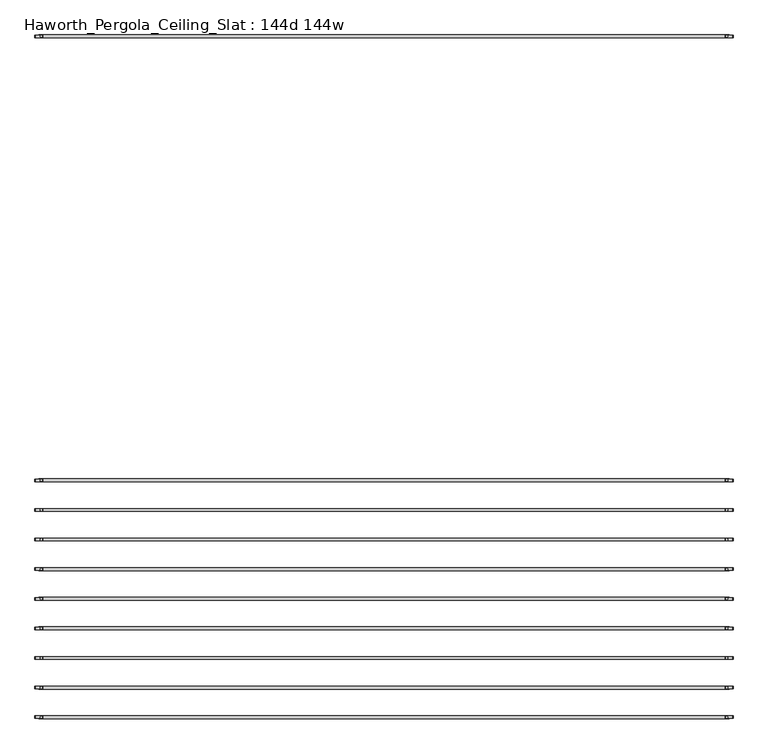
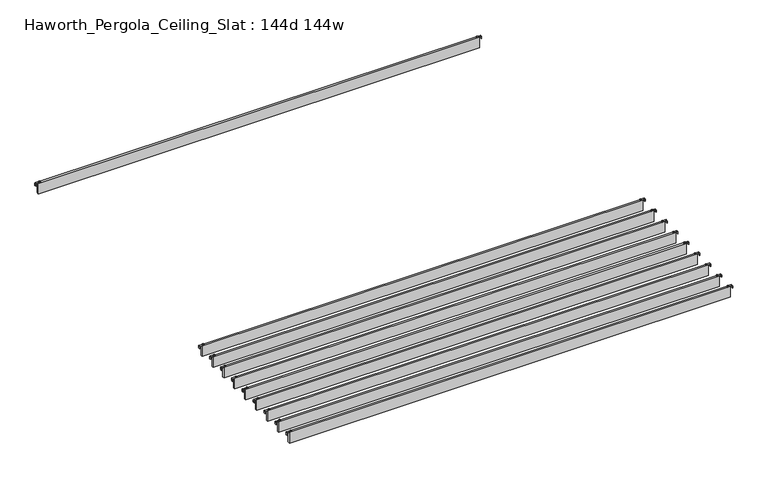
"""IFC4 building model written with IfcOpenShell, lengths in millimetres: furniture geometry, Haworth_Pergola_Ceiling_Slat : 144d 144w."""

from ifc_helpers import new_model, si_unit, point, frame, frame_2d, origin, place, context, project, spatial, polyline, circle_curve, trimmed, segment, composite_curve, outline, extrude, source, transform, mapped, element, save


def haworth_pergola_ceiling_slat_144d_144w_9080f0d2(model_context):
    return source(origin(), model_context, "Body", "SweptSolid", [
        extrude(outline(composite_curve([segment(trimmed(circle_curve(frame_2d((1853.2, -1887.5678696)), 5.9838099), [point((1847.2161901, -1887.5678696))], [point((1859.1838099, -1887.5678696))], False, "CARTESIAN"), True, "CONTINUOUS"), segment(trimmed(circle_curve(frame_2d((1853.2, -1887.5678696)), 5.9838099), [point((1859.1838099, -1887.5678696))], [point((1847.2161901, -1887.5678696))], False, "CARTESIAN"), True, "CONTINUOUS")], self_intersect=False)), frame((0.0, 0.0, 2440.9329992), z_axis=(0.0, 0.0, 1.0), x_axis=(1.0, 0.0, 0.0)), (0.0, 0.0, 1.0), 3.4400008),
        extrude(outline(composite_curve([segment(trimmed(circle_curve(frame_2d((-1777.0, -1887.5678696)), 5.9838099), [point((-1771.0161901, -1887.5678696))], [point((-1782.9838099, -1887.5678696))], False, "CARTESIAN"), True, "CONTINUOUS"), segment(trimmed(circle_curve(frame_2d((-1777.0, -1887.5678696)), 5.9838099), [point((-1782.9838099, -1887.5678696))], [point((-1771.0161901, -1887.5678696))], False, "CARTESIAN"), True, "CONTINUOUS")], self_intersect=False)), frame((0.0, 0.0, 2440.9329992), z_axis=(0.0, 0.0, 1.0), x_axis=(1.0, 0.0, 0.0)), (0.0, 0.0, 1.0), 3.4400008),
        extrude(outline(composite_curve([segment(polyline([(2419.2231711, 1887.36), (2437.2499992, 1887.36)]), True, "CONTINUOUS"), segment(trimmed(circle_curve(frame_2d((2437.2499992, 1883.677)), 3.683), [point((2437.2499992, 1887.36))], [point((2440.9329992, 1883.677))], False, "CARTESIAN"), True, "CONTINUOUS"), segment(polyline([(2440.9329992, 1883.677), (2440.9329992, 1846.7), (2438.2729997, 1846.7), (2438.2729997, 1883.6905568)]), True, "CONTINUOUS"), segment(trimmed(circle_curve(frame_2d((2437.2635571, 1883.6905568)), 1.0094425), [point((2438.2729997, 1883.6905568))], [point((2437.2635571, 1884.6999993))], True, "CARTESIAN"), True, "CONTINUOUS"), segment(polyline([(2437.2635571, 1884.6999993), (2419.2231711, 1884.6999993), (2419.2231711, 1887.36)]), True, "CONTINUOUS")], self_intersect=False)), frame((0.0, -1894.0608699, 0.0), z_axis=(0.0, 1.0, 0.0), x_axis=(0.0, 0.0, 1.0)), (0.0, 0.0, 1.0), 13.0),
        extrude(outline(composite_curve([segment(polyline([(2419.2231711, -1811.16), (2419.2231711, -1808.4999993), (2437.2635571, -1808.4999993)]), True, "CONTINUOUS"), segment(trimmed(circle_curve(frame_2d((2437.2635571, -1807.4905568)), 1.0094425), [point((2437.2635571, -1808.4999993))], [point((2438.2729997, -1807.4905568))], True, "CARTESIAN"), True, "CONTINUOUS"), segment(polyline([(2438.2729997, -1807.4905568), (2438.2729997, -1770.5), (2440.9329992, -1770.5), (2440.9329992, -1807.477)]), True, "CONTINUOUS"), segment(trimmed(circle_curve(frame_2d((2437.2499992, -1807.477)), 3.683), [point((2440.9329992, -1807.477))], [point((2437.2499992, -1811.16))], False, "CARTESIAN"), True, "CONTINUOUS"), segment(polyline([(2437.2499992, -1811.16), (2419.2231711, -1811.16)]), True, "CONTINUOUS")], self_intersect=False)), frame((0.0, -1894.0608699, 0.0), z_axis=(0.0, 1.0, 0.0), x_axis=(0.0, 0.0, 1.0)), (0.0, 0.0, 1.0), 13.0),
        extrude(outline(polyline([(-1790.7, -1895.0608696), (-1790.7, -1880.0748696), (1866.9, -1880.0748696), (1866.9, -1895.0608696), (-1790.7, -1895.0608696)])), frame((0.0, 0.0, 2346.198), z_axis=(0.0, 0.0, 1.0), x_axis=(1.0, 0.0, 0.0)), (0.0, 0.0, 1.0), 92.202),
        extrude(outline(composite_curve([segment(trimmed(circle_curve(frame_2d((1853.2, -2044.3852609)), 5.9838099), [point((1847.2161901, -2044.3852609))], [point((1859.1838099, -2044.3852609))], False, "CARTESIAN"), True, "CONTINUOUS"), segment(trimmed(circle_curve(frame_2d((1853.2, -2044.3852609)), 5.9838099), [point((1859.1838099, -2044.3852609))], [point((1847.2161901, -2044.3852609))], False, "CARTESIAN"), True, "CONTINUOUS")], self_intersect=False)), frame((0.0, 0.0, 2440.9329992), z_axis=(0.0, 0.0, 1.0), x_axis=(1.0, 0.0, 0.0)), (0.0, 0.0, 1.0), 3.4400008),
        extrude(outline(composite_curve([segment(trimmed(circle_curve(frame_2d((-1777.0, -2044.3852609)), 5.9838099), [point((-1771.0161901, -2044.3852609))], [point((-1782.9838099, -2044.3852609))], False, "CARTESIAN"), True, "CONTINUOUS"), segment(trimmed(circle_curve(frame_2d((-1777.0, -2044.3852609)), 5.9838099), [point((-1782.9838099, -2044.3852609))], [point((-1771.0161901, -2044.3852609))], False, "CARTESIAN"), True, "CONTINUOUS")], self_intersect=False)), frame((0.0, 0.0, 2440.9329992), z_axis=(0.0, 0.0, 1.0), x_axis=(1.0, 0.0, 0.0)), (0.0, 0.0, 1.0), 3.4400008),
        extrude(outline(composite_curve([segment(polyline([(2419.2231711, 1887.36), (2437.2499992, 1887.36)]), True, "CONTINUOUS"), segment(trimmed(circle_curve(frame_2d((2437.2499992, 1883.677)), 3.683), [point((2437.2499992, 1887.36))], [point((2440.9329992, 1883.677))], False, "CARTESIAN"), True, "CONTINUOUS"), segment(polyline([(2440.9329992, 1883.677), (2440.9329992, 1846.7), (2438.2729997, 1846.7), (2438.2729997, 1883.6905568)]), True, "CONTINUOUS"), segment(trimmed(circle_curve(frame_2d((2437.2635571, 1883.6905568)), 1.0094425), [point((2438.2729997, 1883.6905568))], [point((2437.2635571, 1884.6999993))], True, "CARTESIAN"), True, "CONTINUOUS"), segment(polyline([(2437.2635571, 1884.6999993), (2419.2231711, 1884.6999993), (2419.2231711, 1887.36)]), True, "CONTINUOUS")], self_intersect=False)), frame((0.0, -2050.8782612, 0.0), z_axis=(0.0, 1.0, 0.0), x_axis=(0.0, 0.0, 1.0)), (0.0, 0.0, 1.0), 13.0),
        extrude(outline(composite_curve([segment(polyline([(2419.2231711, -1811.16), (2419.2231711, -1808.4999993), (2437.2635571, -1808.4999993)]), True, "CONTINUOUS"), segment(trimmed(circle_curve(frame_2d((2437.2635571, -1807.4905568)), 1.0094425), [point((2437.2635571, -1808.4999993))], [point((2438.2729997, -1807.4905568))], True, "CARTESIAN"), True, "CONTINUOUS"), segment(polyline([(2438.2729997, -1807.4905568), (2438.2729997, -1770.5), (2440.9329992, -1770.5), (2440.9329992, -1807.477)]), True, "CONTINUOUS"), segment(trimmed(circle_curve(frame_2d((2437.2499992, -1807.477)), 3.683), [point((2440.9329992, -1807.477))], [point((2437.2499992, -1811.16))], False, "CARTESIAN"), True, "CONTINUOUS"), segment(polyline([(2437.2499992, -1811.16), (2419.2231711, -1811.16)]), True, "CONTINUOUS")], self_intersect=False)), frame((0.0, -2050.8782612, 0.0), z_axis=(0.0, 1.0, 0.0), x_axis=(0.0, 0.0, 1.0)), (0.0, 0.0, 1.0), 13.0),
        extrude(outline(polyline([(-1790.7, -2051.8782609), (-1790.7, -2036.8922609), (1866.9, -2036.8922609), (1866.9, -2051.8782609), (-1790.7, -2051.8782609)])), frame((0.0, 0.0, 2346.198), z_axis=(0.0, 0.0, 1.0), x_axis=(1.0, 0.0, 0.0)), (0.0, 0.0, 1.0), 92.202),
        extrude(outline(composite_curve([segment(trimmed(circle_curve(frame_2d((1853.2, -2201.2026522)), 5.9838099), [point((1847.2161901, -2201.2026522))], [point((1859.1838099, -2201.2026522))], False, "CARTESIAN"), True, "CONTINUOUS"), segment(trimmed(circle_curve(frame_2d((1853.2, -2201.2026522)), 5.9838099), [point((1859.1838099, -2201.2026522))], [point((1847.2161901, -2201.2026522))], False, "CARTESIAN"), True, "CONTINUOUS")], self_intersect=False)), frame((0.0, 0.0, 2440.9329992), z_axis=(0.0, 0.0, 1.0), x_axis=(1.0, 0.0, 0.0)), (0.0, 0.0, 1.0), 3.4400008),
        extrude(outline(composite_curve([segment(trimmed(circle_curve(frame_2d((-1777.0, -2201.2026522)), 5.9838099), [point((-1771.0161901, -2201.2026522))], [point((-1782.9838099, -2201.2026522))], False, "CARTESIAN"), True, "CONTINUOUS"), segment(trimmed(circle_curve(frame_2d((-1777.0, -2201.2026522)), 5.9838099), [point((-1782.9838099, -2201.2026522))], [point((-1771.0161901, -2201.2026522))], False, "CARTESIAN"), True, "CONTINUOUS")], self_intersect=False)), frame((0.0, 0.0, 2440.9329992), z_axis=(0.0, 0.0, 1.0), x_axis=(1.0, 0.0, 0.0)), (0.0, 0.0, 1.0), 3.4400008),
        extrude(outline(composite_curve([segment(polyline([(2419.2231711, 1887.36), (2437.2499992, 1887.36)]), True, "CONTINUOUS"), segment(trimmed(circle_curve(frame_2d((2437.2499992, 1883.677)), 3.683), [point((2437.2499992, 1887.36))], [point((2440.9329992, 1883.677))], False, "CARTESIAN"), True, "CONTINUOUS"), segment(polyline([(2440.9329992, 1883.677), (2440.9329992, 1846.7), (2438.2729997, 1846.7), (2438.2729997, 1883.6905568)]), True, "CONTINUOUS"), segment(trimmed(circle_curve(frame_2d((2437.2635571, 1883.6905568)), 1.0094425), [point((2438.2729997, 1883.6905568))], [point((2437.2635571, 1884.6999993))], True, "CARTESIAN"), True, "CONTINUOUS"), segment(polyline([(2437.2635571, 1884.6999993), (2419.2231711, 1884.6999993), (2419.2231711, 1887.36)]), True, "CONTINUOUS")], self_intersect=False)), frame((0.0, -2207.6956525, 0.0), z_axis=(0.0, 1.0, 0.0), x_axis=(0.0, 0.0, 1.0)), (0.0, 0.0, 1.0), 13.0),
        extrude(outline(composite_curve([segment(polyline([(2419.2231711, -1811.16), (2419.2231711, -1808.4999993), (2437.2635571, -1808.4999993)]), True, "CONTINUOUS"), segment(trimmed(circle_curve(frame_2d((2437.2635571, -1807.4905568)), 1.0094425), [point((2437.2635571, -1808.4999993))], [point((2438.2729997, -1807.4905568))], True, "CARTESIAN"), True, "CONTINUOUS"), segment(polyline([(2438.2729997, -1807.4905568), (2438.2729997, -1770.5), (2440.9329992, -1770.5), (2440.9329992, -1807.477)]), True, "CONTINUOUS"), segment(trimmed(circle_curve(frame_2d((2437.2499992, -1807.477)), 3.683), [point((2440.9329992, -1807.477))], [point((2437.2499992, -1811.16))], False, "CARTESIAN"), True, "CONTINUOUS"), segment(polyline([(2437.2499992, -1811.16), (2419.2231711, -1811.16)]), True, "CONTINUOUS")], self_intersect=False)), frame((0.0, -2207.6956525, 0.0), z_axis=(0.0, 1.0, 0.0), x_axis=(0.0, 0.0, 1.0)), (0.0, 0.0, 1.0), 13.0),
        extrude(outline(polyline([(-1790.7, -2208.6956522), (-1790.7, -2193.7096522), (1866.9, -2193.7096522), (1866.9, -2208.6956522), (-1790.7, -2208.6956522)])), frame((0.0, 0.0, 2346.198), z_axis=(0.0, 0.0, 1.0), x_axis=(1.0, 0.0, 0.0)), (0.0, 0.0, 1.0), 92.202),
        extrude(outline(composite_curve([segment(trimmed(circle_curve(frame_2d((1853.2, -2358.0200435)), 5.9838099), [point((1847.2161901, -2358.0200435))], [point((1859.1838099, -2358.0200435))], False, "CARTESIAN"), True, "CONTINUOUS"), segment(trimmed(circle_curve(frame_2d((1853.2, -2358.0200435)), 5.9838099), [point((1859.1838099, -2358.0200435))], [point((1847.2161901, -2358.0200435))], False, "CARTESIAN"), True, "CONTINUOUS")], self_intersect=False)), frame((0.0, 0.0, 2440.9329992), z_axis=(0.0, 0.0, 1.0), x_axis=(1.0, 0.0, 0.0)), (0.0, 0.0, 1.0), 3.4400008),
        extrude(outline(composite_curve([segment(trimmed(circle_curve(frame_2d((-1777.0, -2358.0200435)), 5.9838099), [point((-1771.0161901, -2358.0200435))], [point((-1782.9838099, -2358.0200435))], False, "CARTESIAN"), True, "CONTINUOUS"), segment(trimmed(circle_curve(frame_2d((-1777.0, -2358.0200435)), 5.9838099), [point((-1782.9838099, -2358.0200435))], [point((-1771.0161901, -2358.0200435))], False, "CARTESIAN"), True, "CONTINUOUS")], self_intersect=False)), frame((0.0, 0.0, 2440.9329992), z_axis=(0.0, 0.0, 1.0), x_axis=(1.0, 0.0, 0.0)), (0.0, 0.0, 1.0), 3.4400008),
        extrude(outline(composite_curve([segment(polyline([(2419.2231711, 1887.36), (2437.2499992, 1887.36)]), True, "CONTINUOUS"), segment(trimmed(circle_curve(frame_2d((2437.2499992, 1883.677)), 3.683), [point((2437.2499992, 1887.36))], [point((2440.9329992, 1883.677))], False, "CARTESIAN"), True, "CONTINUOUS"), segment(polyline([(2440.9329992, 1883.677), (2440.9329992, 1846.7), (2438.2729997, 1846.7), (2438.2729997, 1883.6905568)]), True, "CONTINUOUS"), segment(trimmed(circle_curve(frame_2d((2437.2635571, 1883.6905568)), 1.0094425), [point((2438.2729997, 1883.6905568))], [point((2437.2635571, 1884.6999993))], True, "CARTESIAN"), True, "CONTINUOUS"), segment(polyline([(2437.2635571, 1884.6999993), (2419.2231711, 1884.6999993), (2419.2231711, 1887.36)]), True, "CONTINUOUS")], self_intersect=False)), frame((0.0, -2364.5130438, 0.0), z_axis=(0.0, 1.0, 0.0), x_axis=(0.0, 0.0, 1.0)), (0.0, 0.0, 1.0), 13.0),
        extrude(outline(composite_curve([segment(polyline([(2419.2231711, -1811.16), (2419.2231711, -1808.4999993), (2437.2635571, -1808.4999993)]), True, "CONTINUOUS"), segment(trimmed(circle_curve(frame_2d((2437.2635571, -1807.4905568)), 1.0094425), [point((2437.2635571, -1808.4999993))], [point((2438.2729997, -1807.4905568))], True, "CARTESIAN"), True, "CONTINUOUS"), segment(polyline([(2438.2729997, -1807.4905568), (2438.2729997, -1770.5), (2440.9329992, -1770.5), (2440.9329992, -1807.477)]), True, "CONTINUOUS"), segment(trimmed(circle_curve(frame_2d((2437.2499992, -1807.477)), 3.683), [point((2440.9329992, -1807.477))], [point((2437.2499992, -1811.16))], False, "CARTESIAN"), True, "CONTINUOUS"), segment(polyline([(2437.2499992, -1811.16), (2419.2231711, -1811.16)]), True, "CONTINUOUS")], self_intersect=False)), frame((0.0, -2364.5130438, 0.0), z_axis=(0.0, 1.0, 0.0), x_axis=(0.0, 0.0, 1.0)), (0.0, 0.0, 1.0), 13.0),
        extrude(outline(polyline([(-1790.7, -2365.5130435), (-1790.7, -2350.5270435), (1866.9, -2350.5270435), (1866.9, -2365.5130435), (-1790.7, -2365.5130435)])), frame((0.0, 0.0, 2346.198), z_axis=(0.0, 0.0, 1.0), x_axis=(1.0, 0.0, 0.0)), (0.0, 0.0, 1.0), 92.202),
        extrude(outline(composite_curve([segment(trimmed(circle_curve(frame_2d((1853.2, -2514.8374348)), 5.9838099), [point((1847.2161901, -2514.8374348))], [point((1859.1838099, -2514.8374348))], False, "CARTESIAN"), True, "CONTINUOUS"), segment(trimmed(circle_curve(frame_2d((1853.2, -2514.8374348)), 5.9838099), [point((1859.1838099, -2514.8374348))], [point((1847.2161901, -2514.8374348))], False, "CARTESIAN"), True, "CONTINUOUS")], self_intersect=False)), frame((0.0, 0.0, 2440.9329992), z_axis=(0.0, 0.0, 1.0), x_axis=(1.0, 0.0, 0.0)), (0.0, 0.0, 1.0), 3.4400008),
        extrude(outline(composite_curve([segment(trimmed(circle_curve(frame_2d((-1777.0, -2514.8374348)), 5.9838099), [point((-1771.0161901, -2514.8374348))], [point((-1782.9838099, -2514.8374348))], False, "CARTESIAN"), True, "CONTINUOUS"), segment(trimmed(circle_curve(frame_2d((-1777.0, -2514.8374348)), 5.9838099), [point((-1782.9838099, -2514.8374348))], [point((-1771.0161901, -2514.8374348))], False, "CARTESIAN"), True, "CONTINUOUS")], self_intersect=False)), frame((0.0, 0.0, 2440.9329992), z_axis=(0.0, 0.0, 1.0), x_axis=(1.0, 0.0, 0.0)), (0.0, 0.0, 1.0), 3.4400008),
        extrude(outline(composite_curve([segment(polyline([(2419.2231711, 1887.36), (2437.2499992, 1887.36)]), True, "CONTINUOUS"), segment(trimmed(circle_curve(frame_2d((2437.2499992, 1883.677)), 3.683), [point((2437.2499992, 1887.36))], [point((2440.9329992, 1883.677))], False, "CARTESIAN"), True, "CONTINUOUS"), segment(polyline([(2440.9329992, 1883.677), (2440.9329992, 1846.7), (2438.2729997, 1846.7), (2438.2729997, 1883.6905568)]), True, "CONTINUOUS"), segment(trimmed(circle_curve(frame_2d((2437.2635571, 1883.6905568)), 1.0094425), [point((2438.2729997, 1883.6905568))], [point((2437.2635571, 1884.6999993))], True, "CARTESIAN"), True, "CONTINUOUS"), segment(polyline([(2437.2635571, 1884.6999993), (2419.2231711, 1884.6999993), (2419.2231711, 1887.36)]), True, "CONTINUOUS")], self_intersect=False)), frame((0.0, -2521.3304351, 0.0), z_axis=(0.0, 1.0, 0.0), x_axis=(0.0, 0.0, 1.0)), (0.0, 0.0, 1.0), 13.0),
        extrude(outline(composite_curve([segment(polyline([(2419.2231711, -1811.16), (2419.2231711, -1808.4999993), (2437.2635571, -1808.4999993)]), True, "CONTINUOUS"), segment(trimmed(circle_curve(frame_2d((2437.2635571, -1807.4905568)), 1.0094425), [point((2437.2635571, -1808.4999993))], [point((2438.2729997, -1807.4905568))], True, "CARTESIAN"), True, "CONTINUOUS"), segment(polyline([(2438.2729997, -1807.4905568), (2438.2729997, -1770.5), (2440.9329992, -1770.5), (2440.9329992, -1807.477)]), True, "CONTINUOUS"), segment(trimmed(circle_curve(frame_2d((2437.2499992, -1807.477)), 3.683), [point((2440.9329992, -1807.477))], [point((2437.2499992, -1811.16))], False, "CARTESIAN"), True, "CONTINUOUS"), segment(polyline([(2437.2499992, -1811.16), (2419.2231711, -1811.16)]), True, "CONTINUOUS")], self_intersect=False)), frame((0.0, -2521.3304351, 0.0), z_axis=(0.0, 1.0, 0.0), x_axis=(0.0, 0.0, 1.0)), (0.0, 0.0, 1.0), 13.0),
        extrude(outline(polyline([(-1790.7, -2522.3304348), (-1790.7, -2507.3444348), (1866.9, -2507.3444348), (1866.9, -2522.3304348), (-1790.7, -2522.3304348)])), frame((0.0, 0.0, 2346.198), z_axis=(0.0, 0.0, 1.0), x_axis=(1.0, 0.0, 0.0)), (0.0, 0.0, 1.0), 92.202),
        extrude(outline(composite_curve([segment(trimmed(circle_curve(frame_2d((1853.2, -2671.6548261)), 5.9838099), [point((1847.2161901, -2671.6548261))], [point((1859.1838099, -2671.6548261))], False, "CARTESIAN"), True, "CONTINUOUS"), segment(trimmed(circle_curve(frame_2d((1853.2, -2671.6548261)), 5.9838099), [point((1859.1838099, -2671.6548261))], [point((1847.2161901, -2671.6548261))], False, "CARTESIAN"), True, "CONTINUOUS")], self_intersect=False)), frame((0.0, 0.0, 2440.9329992), z_axis=(0.0, 0.0, 1.0), x_axis=(1.0, 0.0, 0.0)), (0.0, 0.0, 1.0), 3.4400008),
        extrude(outline(composite_curve([segment(trimmed(circle_curve(frame_2d((-1777.0, -2671.6548261)), 5.9838099), [point((-1771.0161901, -2671.6548261))], [point((-1782.9838099, -2671.6548261))], False, "CARTESIAN"), True, "CONTINUOUS"), segment(trimmed(circle_curve(frame_2d((-1777.0, -2671.6548261)), 5.9838099), [point((-1782.9838099, -2671.6548261))], [point((-1771.0161901, -2671.6548261))], False, "CARTESIAN"), True, "CONTINUOUS")], self_intersect=False)), frame((0.0, 0.0, 2440.9329992), z_axis=(0.0, 0.0, 1.0), x_axis=(1.0, 0.0, 0.0)), (0.0, 0.0, 1.0), 3.4400008),
        extrude(outline(composite_curve([segment(polyline([(2419.2231711, 1887.36), (2437.2499992, 1887.36)]), True, "CONTINUOUS"), segment(trimmed(circle_curve(frame_2d((2437.2499992, 1883.677)), 3.683), [point((2437.2499992, 1887.36))], [point((2440.9329992, 1883.677))], False, "CARTESIAN"), True, "CONTINUOUS"), segment(polyline([(2440.9329992, 1883.677), (2440.9329992, 1846.7), (2438.2729997, 1846.7), (2438.2729997, 1883.6905568)]), True, "CONTINUOUS"), segment(trimmed(circle_curve(frame_2d((2437.2635571, 1883.6905568)), 1.0094425), [point((2438.2729997, 1883.6905568))], [point((2437.2635571, 1884.6999993))], True, "CARTESIAN"), True, "CONTINUOUS"), segment(polyline([(2437.2635571, 1884.6999993), (2419.2231711, 1884.6999993), (2419.2231711, 1887.36)]), True, "CONTINUOUS")], self_intersect=False)), frame((0.0, -2678.1478264, 0.0), z_axis=(0.0, 1.0, 0.0), x_axis=(0.0, 0.0, 1.0)), (0.0, 0.0, 1.0), 13.0),
        extrude(outline(composite_curve([segment(polyline([(2419.2231711, -1811.16), (2419.2231711, -1808.4999993), (2437.2635571, -1808.4999993)]), True, "CONTINUOUS"), segment(trimmed(circle_curve(frame_2d((2437.2635571, -1807.4905568)), 1.0094425), [point((2437.2635571, -1808.4999993))], [point((2438.2729997, -1807.4905568))], True, "CARTESIAN"), True, "CONTINUOUS"), segment(polyline([(2438.2729997, -1807.4905568), (2438.2729997, -1770.5), (2440.9329992, -1770.5), (2440.9329992, -1807.477)]), True, "CONTINUOUS"), segment(trimmed(circle_curve(frame_2d((2437.2499992, -1807.477)), 3.683), [point((2440.9329992, -1807.477))], [point((2437.2499992, -1811.16))], False, "CARTESIAN"), True, "CONTINUOUS"), segment(polyline([(2437.2499992, -1811.16), (2419.2231711, -1811.16)]), True, "CONTINUOUS")], self_intersect=False)), frame((0.0, -2678.1478264, 0.0), z_axis=(0.0, 1.0, 0.0), x_axis=(0.0, 0.0, 1.0)), (0.0, 0.0, 1.0), 13.0),
        extrude(outline(polyline([(-1790.7, -2679.1478261), (-1790.7, -2664.1618261), (1866.9, -2664.1618261), (1866.9, -2679.1478261), (-1790.7, -2679.1478261)])), frame((0.0, 0.0, 2346.198), z_axis=(0.0, 0.0, 1.0), x_axis=(1.0, 0.0, 0.0)), (0.0, 0.0, 1.0), 92.202),
        extrude(outline(composite_curve([segment(trimmed(circle_curve(frame_2d((1853.2, -2828.4722174)), 5.9838099), [point((1847.2161901, -2828.4722174))], [point((1859.1838099, -2828.4722174))], False, "CARTESIAN"), True, "CONTINUOUS"), segment(trimmed(circle_curve(frame_2d((1853.2, -2828.4722174)), 5.9838099), [point((1859.1838099, -2828.4722174))], [point((1847.2161901, -2828.4722174))], False, "CARTESIAN"), True, "CONTINUOUS")], self_intersect=False)), frame((0.0, 0.0, 2440.9329992), z_axis=(0.0, 0.0, 1.0), x_axis=(1.0, 0.0, 0.0)), (0.0, 0.0, 1.0), 3.4400008),
        extrude(outline(composite_curve([segment(trimmed(circle_curve(frame_2d((-1777.0, -2828.4722174)), 5.9838099), [point((-1771.0161901, -2828.4722174))], [point((-1782.9838099, -2828.4722174))], False, "CARTESIAN"), True, "CONTINUOUS"), segment(trimmed(circle_curve(frame_2d((-1777.0, -2828.4722174)), 5.9838099), [point((-1782.9838099, -2828.4722174))], [point((-1771.0161901, -2828.4722174))], False, "CARTESIAN"), True, "CONTINUOUS")], self_intersect=False)), frame((0.0, 0.0, 2440.9329992), z_axis=(0.0, 0.0, 1.0), x_axis=(1.0, 0.0, 0.0)), (0.0, 0.0, 1.0), 3.4400008),
        extrude(outline(composite_curve([segment(polyline([(2419.2231711, 1887.36), (2437.2499992, 1887.36)]), True, "CONTINUOUS"), segment(trimmed(circle_curve(frame_2d((2437.2499992, 1883.677)), 3.683), [point((2437.2499992, 1887.36))], [point((2440.9329992, 1883.677))], False, "CARTESIAN"), True, "CONTINUOUS"), segment(polyline([(2440.9329992, 1883.677), (2440.9329992, 1846.7), (2438.2729997, 1846.7), (2438.2729997, 1883.6905568)]), True, "CONTINUOUS"), segment(trimmed(circle_curve(frame_2d((2437.2635571, 1883.6905568)), 1.0094425), [point((2438.2729997, 1883.6905568))], [point((2437.2635571, 1884.6999993))], True, "CARTESIAN"), True, "CONTINUOUS"), segment(polyline([(2437.2635571, 1884.6999993), (2419.2231711, 1884.6999993), (2419.2231711, 1887.36)]), True, "CONTINUOUS")], self_intersect=False)), frame((0.0, -2834.9652177, 0.0), z_axis=(0.0, 1.0, 0.0), x_axis=(0.0, 0.0, 1.0)), (0.0, 0.0, 1.0), 13.0),
        extrude(outline(composite_curve([segment(polyline([(2419.2231711, -1811.16), (2419.2231711, -1808.4999993), (2437.2635571, -1808.4999993)]), True, "CONTINUOUS"), segment(trimmed(circle_curve(frame_2d((2437.2635571, -1807.4905568)), 1.0094425), [point((2437.2635571, -1808.4999993))], [point((2438.2729997, -1807.4905568))], True, "CARTESIAN"), True, "CONTINUOUS"), segment(polyline([(2438.2729997, -1807.4905568), (2438.2729997, -1770.5), (2440.9329992, -1770.5), (2440.9329992, -1807.477)]), True, "CONTINUOUS"), segment(trimmed(circle_curve(frame_2d((2437.2499992, -1807.477)), 3.683), [point((2440.9329992, -1807.477))], [point((2437.2499992, -1811.16))], False, "CARTESIAN"), True, "CONTINUOUS"), segment(polyline([(2437.2499992, -1811.16), (2419.2231711, -1811.16)]), True, "CONTINUOUS")], self_intersect=False)), frame((0.0, -2834.9652177, 0.0), z_axis=(0.0, 1.0, 0.0), x_axis=(0.0, 0.0, 1.0)), (0.0, 0.0, 1.0), 13.0),
        extrude(outline(polyline([(-1790.7, -2835.9652174), (-1790.7, -2820.9792174), (1866.9, -2820.9792174), (1866.9, -2835.9652174), (-1790.7, -2835.9652174)])), frame((0.0, 0.0, 2346.198), z_axis=(0.0, 0.0, 1.0), x_axis=(1.0, 0.0, 0.0)), (0.0, 0.0, 1.0), 92.202),
        extrude(outline(composite_curve([segment(trimmed(circle_curve(frame_2d((1853.2, -2985.2896087)), 5.9838099), [point((1847.2161901, -2985.2896087))], [point((1859.1838099, -2985.2896087))], False, "CARTESIAN"), True, "CONTINUOUS"), segment(trimmed(circle_curve(frame_2d((1853.2, -2985.2896087)), 5.9838099), [point((1859.1838099, -2985.2896087))], [point((1847.2161901, -2985.2896087))], False, "CARTESIAN"), True, "CONTINUOUS")], self_intersect=False)), frame((0.0, 0.0, 2440.9329992), z_axis=(0.0, 0.0, 1.0), x_axis=(1.0, 0.0, 0.0)), (0.0, 0.0, 1.0), 3.4400008),
        extrude(outline(composite_curve([segment(trimmed(circle_curve(frame_2d((-1777.0, -2985.2896087)), 5.9838099), [point((-1771.0161901, -2985.2896087))], [point((-1782.9838099, -2985.2896087))], False, "CARTESIAN"), True, "CONTINUOUS"), segment(trimmed(circle_curve(frame_2d((-1777.0, -2985.2896087)), 5.9838099), [point((-1782.9838099, -2985.2896087))], [point((-1771.0161901, -2985.2896087))], False, "CARTESIAN"), True, "CONTINUOUS")], self_intersect=False)), frame((0.0, 0.0, 2440.9329992), z_axis=(0.0, 0.0, 1.0), x_axis=(1.0, 0.0, 0.0)), (0.0, 0.0, 1.0), 3.4400008),
        extrude(outline(composite_curve([segment(polyline([(2419.2231711, 1887.36), (2437.2499992, 1887.36)]), True, "CONTINUOUS"), segment(trimmed(circle_curve(frame_2d((2437.2499992, 1883.677)), 3.683), [point((2437.2499992, 1887.36))], [point((2440.9329992, 1883.677))], False, "CARTESIAN"), True, "CONTINUOUS"), segment(polyline([(2440.9329992, 1883.677), (2440.9329992, 1846.7), (2438.2729997, 1846.7), (2438.2729997, 1883.6905568)]), True, "CONTINUOUS"), segment(trimmed(circle_curve(frame_2d((2437.2635571, 1883.6905568)), 1.0094425), [point((2438.2729997, 1883.6905568))], [point((2437.2635571, 1884.6999993))], True, "CARTESIAN"), True, "CONTINUOUS"), segment(polyline([(2437.2635571, 1884.6999993), (2419.2231711, 1884.6999993), (2419.2231711, 1887.36)]), True, "CONTINUOUS")], self_intersect=False)), frame((0.0, -2991.782609, 0.0), z_axis=(0.0, 1.0, 0.0), x_axis=(0.0, 0.0, 1.0)), (0.0, 0.0, 1.0), 13.0),
        extrude(outline(composite_curve([segment(polyline([(2419.2231711, -1811.16), (2419.2231711, -1808.4999993), (2437.2635571, -1808.4999993)]), True, "CONTINUOUS"), segment(trimmed(circle_curve(frame_2d((2437.2635571, -1807.4905568)), 1.0094425), [point((2437.2635571, -1808.4999993))], [point((2438.2729997, -1807.4905568))], True, "CARTESIAN"), True, "CONTINUOUS"), segment(polyline([(2438.2729997, -1807.4905568), (2438.2729997, -1770.5), (2440.9329992, -1770.5), (2440.9329992, -1807.477)]), True, "CONTINUOUS"), segment(trimmed(circle_curve(frame_2d((2437.2499992, -1807.477)), 3.683), [point((2440.9329992, -1807.477))], [point((2437.2499992, -1811.16))], False, "CARTESIAN"), True, "CONTINUOUS"), segment(polyline([(2437.2499992, -1811.16), (2419.2231711, -1811.16)]), True, "CONTINUOUS")], self_intersect=False)), frame((0.0, -2991.782609, 0.0), z_axis=(0.0, 1.0, 0.0), x_axis=(0.0, 0.0, 1.0)), (0.0, 0.0, 1.0), 13.0),
        extrude(outline(polyline([(-1790.7, -2992.7826087), (-1790.7, -2977.7966087), (1866.9, -2977.7966087), (1866.9, -2992.7826087), (-1790.7, -2992.7826087)])), frame((0.0, 0.0, 2346.198), z_axis=(0.0, 0.0, 1.0), x_axis=(1.0, 0.0, 0.0)), (0.0, 0.0, 1.0), 92.202),
        extrude(outline(composite_curve([segment(trimmed(circle_curve(frame_2d((1853.2, 464.693)), 5.9838099), [point((1847.2161901, 464.693))], [point((1859.1838099, 464.693))], False, "CARTESIAN"), True, "CONTINUOUS"), segment(trimmed(circle_curve(frame_2d((1853.2, 464.693)), 5.9838099), [point((1859.1838099, 464.693))], [point((1847.2161901, 464.693))], False, "CARTESIAN"), True, "CONTINUOUS")], self_intersect=False)), frame((0.0, 0.0, 2440.9329992), z_axis=(0.0, 0.0, 1.0), x_axis=(1.0, 0.0, 0.0)), (0.0, 0.0, 1.0), 3.4400008),
        extrude(outline(composite_curve([segment(trimmed(circle_curve(frame_2d((-1777.0, 464.693)), 5.9838099), [point((-1771.0161901, 464.693))], [point((-1782.9838099, 464.693))], False, "CARTESIAN"), True, "CONTINUOUS"), segment(trimmed(circle_curve(frame_2d((-1777.0, 464.693)), 5.9838099), [point((-1782.9838099, 464.693))], [point((-1771.0161901, 464.693))], False, "CARTESIAN"), True, "CONTINUOUS")], self_intersect=False)), frame((0.0, 0.0, 2440.9329992), z_axis=(0.0, 0.0, 1.0), x_axis=(1.0, 0.0, 0.0)), (0.0, 0.0, 1.0), 3.4400008),
        extrude(outline(composite_curve([segment(polyline([(2419.2231711, 1887.36), (2437.2499992, 1887.36)]), True, "CONTINUOUS"), segment(trimmed(circle_curve(frame_2d((2437.2499992, 1883.677)), 3.683), [point((2437.2499992, 1887.36))], [point((2440.9329992, 1883.677))], False, "CARTESIAN"), True, "CONTINUOUS"), segment(polyline([(2440.9329992, 1883.677), (2440.9329992, 1846.7), (2438.2729997, 1846.7), (2438.2729997, 1883.6905568)]), True, "CONTINUOUS"), segment(trimmed(circle_curve(frame_2d((2437.2635571, 1883.6905568)), 1.0094425), [point((2438.2729997, 1883.6905568))], [point((2437.2635571, 1884.6999993))], True, "CARTESIAN"), True, "CONTINUOUS"), segment(polyline([(2437.2635571, 1884.6999993), (2419.2231711, 1884.6999993), (2419.2231711, 1887.36)]), True, "CONTINUOUS")], self_intersect=False)), frame((0.0, 458.1999997, 0.0), z_axis=(0.0, 1.0, 0.0), x_axis=(0.0, 0.0, 1.0)), (0.0, 0.0, 1.0), 13.0),
        extrude(outline(composite_curve([segment(polyline([(2419.2231711, -1811.16), (2419.2231711, -1808.4999993), (2437.2635571, -1808.4999993)]), True, "CONTINUOUS"), segment(trimmed(circle_curve(frame_2d((2437.2635571, -1807.4905568)), 1.0094425), [point((2437.2635571, -1808.4999993))], [point((2438.2729997, -1807.4905568))], True, "CARTESIAN"), True, "CONTINUOUS"), segment(polyline([(2438.2729997, -1807.4905568), (2438.2729997, -1770.5), (2440.9329992, -1770.5), (2440.9329992, -1807.477)]), True, "CONTINUOUS"), segment(trimmed(circle_curve(frame_2d((2437.2499992, -1807.477)), 3.683), [point((2440.9329992, -1807.477))], [point((2437.2499992, -1811.16))], False, "CARTESIAN"), True, "CONTINUOUS"), segment(polyline([(2437.2499992, -1811.16), (2419.2231711, -1811.16)]), True, "CONTINUOUS")], self_intersect=False)), frame((0.0, 458.1999997, 0.0), z_axis=(0.0, 1.0, 0.0), x_axis=(0.0, 0.0, 1.0)), (0.0, 0.0, 1.0), 13.0),
        extrude(outline(polyline([(-1790.7, 457.2), (-1790.7, 472.186), (1866.9, 472.186), (1866.9, 457.2), (-1790.7, 457.2)])), frame((0.0, 0.0, 2346.198), z_axis=(0.0, 0.0, 1.0), x_axis=(1.0, 0.0, 0.0)), (0.0, 0.0, 1.0), 92.202),
        extrude(outline(composite_curve([segment(trimmed(circle_curve(frame_2d((1853.2, -3142.107)), 5.9838099), [point((1847.2161901, -3142.107))], [point((1859.1838099, -3142.107))], False, "CARTESIAN"), True, "CONTINUOUS"), segment(trimmed(circle_curve(frame_2d((1853.2, -3142.107)), 5.9838099), [point((1859.1838099, -3142.107))], [point((1847.2161901, -3142.107))], False, "CARTESIAN"), True, "CONTINUOUS")], self_intersect=False)), frame((0.0, 0.0, 2440.9329992), z_axis=(0.0, 0.0, 1.0), x_axis=(1.0, 0.0, 0.0)), (0.0, 0.0, 1.0), 3.4400008),
        extrude(outline(composite_curve([segment(trimmed(circle_curve(frame_2d((-1777.0, -3142.107)), 5.9838099), [point((-1771.0161901, -3142.107))], [point((-1782.9838099, -3142.107))], False, "CARTESIAN"), True, "CONTINUOUS"), segment(trimmed(circle_curve(frame_2d((-1777.0, -3142.107)), 5.9838099), [point((-1782.9838099, -3142.107))], [point((-1771.0161901, -3142.107))], False, "CARTESIAN"), True, "CONTINUOUS")], self_intersect=False)), frame((0.0, 0.0, 2440.9329992), z_axis=(0.0, 0.0, 1.0), x_axis=(1.0, 0.0, 0.0)), (0.0, 0.0, 1.0), 3.4400008),
        extrude(outline(composite_curve([segment(polyline([(2419.2231711, 1887.36), (2437.2499992, 1887.36)]), True, "CONTINUOUS"), segment(trimmed(circle_curve(frame_2d((2437.2499992, 1883.677)), 3.683), [point((2437.2499992, 1887.36))], [point((2440.9329992, 1883.677))], False, "CARTESIAN"), True, "CONTINUOUS"), segment(polyline([(2440.9329992, 1883.677), (2440.9329992, 1846.7), (2438.2729997, 1846.7), (2438.2729997, 1883.6905568)]), True, "CONTINUOUS"), segment(trimmed(circle_curve(frame_2d((2437.2635571, 1883.6905568)), 1.0094425), [point((2438.2729997, 1883.6905568))], [point((2437.2635571, 1884.6999993))], True, "CARTESIAN"), True, "CONTINUOUS"), segment(polyline([(2437.2635571, 1884.6999993), (2419.2231711, 1884.6999993), (2419.2231711, 1887.36)]), True, "CONTINUOUS")], self_intersect=False)), frame((0.0, -3148.6000003, 0.0), z_axis=(0.0, 1.0, 0.0), x_axis=(0.0, 0.0, 1.0)), (0.0, 0.0, 1.0), 13.0),
        extrude(outline(composite_curve([segment(polyline([(2419.2231711, -1811.16), (2419.2231711, -1808.4999993), (2437.2635571, -1808.4999993)]), True, "CONTINUOUS"), segment(trimmed(circle_curve(frame_2d((2437.2635571, -1807.4905568)), 1.0094425), [point((2437.2635571, -1808.4999993))], [point((2438.2729997, -1807.4905568))], True, "CARTESIAN"), True, "CONTINUOUS"), segment(polyline([(2438.2729997, -1807.4905568), (2438.2729997, -1770.5), (2440.9329992, -1770.5), (2440.9329992, -1807.477)]), True, "CONTINUOUS"), segment(trimmed(circle_curve(frame_2d((2437.2499992, -1807.477)), 3.683), [point((2440.9329992, -1807.477))], [point((2437.2499992, -1811.16))], False, "CARTESIAN"), True, "CONTINUOUS"), segment(polyline([(2437.2499992, -1811.16), (2419.2231711, -1811.16)]), True, "CONTINUOUS")], self_intersect=False)), frame((0.0, -3148.6000003, 0.0), z_axis=(0.0, 1.0, 0.0), x_axis=(0.0, 0.0, 1.0)), (0.0, 0.0, 1.0), 13.0),
        extrude(outline(polyline([(-1790.7, -3149.6), (-1790.7, -3134.614), (1866.9, -3134.614), (1866.9, -3149.6), (-1790.7, -3149.6)])), frame((0.0, 0.0, 2346.198), z_axis=(0.0, 0.0, 1.0), x_axis=(1.0, 0.0, 0.0)), (0.0, 0.0, 1.0), 92.202),
    ])


if __name__ == "__main__":
    model = new_model("IFC4")
    model_context = context("Model", 3, world=origin())
    ifc_project = project(units=[si_unit("LENGTHUNIT", "METRE", prefix="MILLI")], contexts=[model_context])
    site = spatial("IfcSite", under=ifc_project)
    building = spatial("IfcBuilding", under=site)
    placement = place(None, origin())
    haworth_pergola_ceiling_slat_144d_144w_shape = haworth_pergola_ceiling_slat_144d_144w_9080f0d2(model_context)
    element("IfcFurniture", 1, ObjectType="Haworth_Pergola_Ceiling_Slat : 144d 144w", at=placement, inside=building, context=model_context, shape_type="MappedRepresentation", body=[
        mapped(haworth_pergola_ceiling_slat_144d_144w_shape, transform((0.0, 0.0, 0.0), x_axis=(1.0, 0.0, 0.0), y_axis=(0.0, 1.0, 0.0), z_axis=(0.0, 0.0, 1.0))),
    ])
    save(model, "model.ifc")
